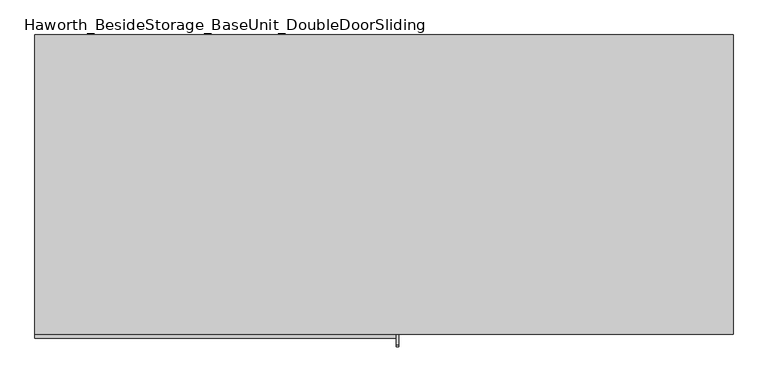
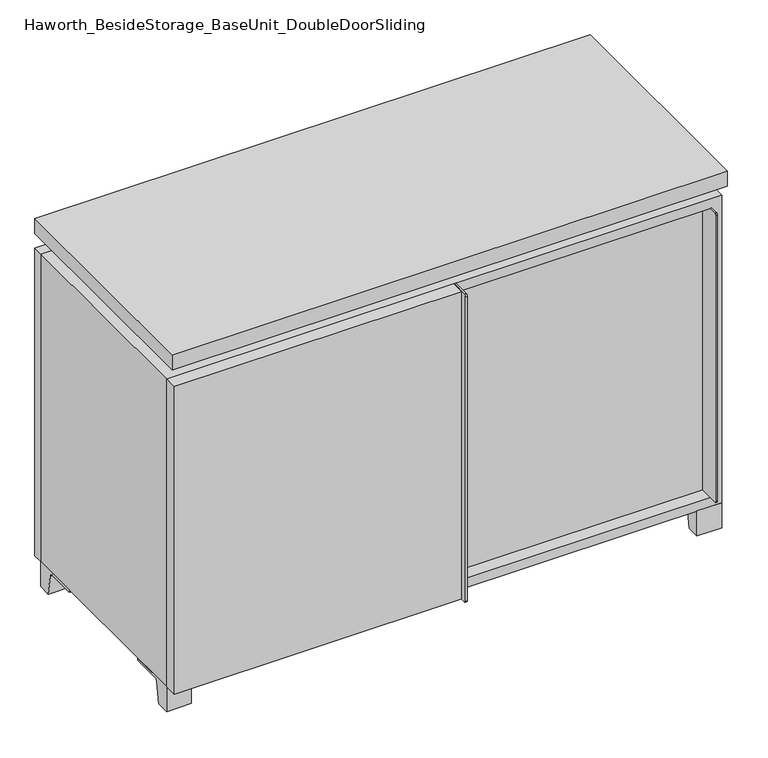
"""IFC4 building model written with IfcOpenShell, lengths in millimetres: furniture geometry, Haworth_BesideStorage_BaseUnit_DoubleDoorSliding."""

from ifc_helpers import new_model, si_unit, point, frame, frame_2d, origin, place, context, project, spatial, polyline, circle_curve, trimmed, segment, composite_curve, outline, extrude, faceted_brep, source, transform, mapped, element, save


def haworth_besidestorage_baseunit_doubledoorsliding_e4563539(model_context):
    return source(origin(), model_context, "Body", "SolidModel", [
        extrude(outline(polyline([(9.5319453, 241.3), (514.3569453, 241.3), (514.3569453, -92.075), (9.5319453, -92.075), (9.5319453, 241.3)])), frame((0.0, 0.0, 354.0125), z_axis=(0.0, 0.0, 1.0), x_axis=(1.0, 0.0, 0.0)), (0.0, 0.0, 1.0), 19.05),
        extrude(outline(polyline([(-9.5041641, 241.3), (-9.5041641, -92.075), (-514.3291641, -92.075), (-514.3291641, 241.3), (-9.5041641, 241.3)])), frame((0.0, 0.0, 354.0125), z_axis=(0.0, 0.0, 1.0), x_axis=(1.0, 0.0, 0.0)), (0.0, 0.0, 1.0), 19.05),
        extrude(outline(composite_curve([segment(polyline([(-95.25, 657.225), (-95.25, 69.85), (-161.925, 69.85)]), True, "CONTINUOUS"), segment(trimmed(circle_curve(frame_2d((-161.925, 73.025)), 3.175), [point((-161.925, 69.85))], [point((-165.1, 73.025))], False, "CARTESIAN"), True, "CONTINUOUS"), segment(polyline([(-165.1, 73.025), (-165.1, 654.05)]), True, "CONTINUOUS"), segment(trimmed(circle_curve(frame_2d((-161.925, 654.05)), 3.175), [point((-165.1, 654.05))], [point((-161.925, 657.225))], False, "CARTESIAN"), True, "CONTINUOUS"), segment(polyline([(-161.925, 657.225), (-95.25, 657.225)]), True, "CONTINUOUS")], self_intersect=False)), frame((511.1819453, 0.0, 0.0), z_axis=(1.0, 0.0, 0.0), x_axis=(0.0, 1.0, 0.0)), (0.0, 0.0, 1.0), 3.175),
        extrude(outline(polyline([(15.8819453, -95.25), (511.1819453, -95.25), (511.1819453, -120.65), (15.8819453, -120.65), (15.8819453, -95.25)])), frame((0.0, 0.0, 69.85), z_axis=(0.0, 0.0, 1.0), x_axis=(1.0, 0.0, 0.0)), (0.0, 0.0, 1.0), 587.375),
        extrude(outline(polyline([(533.4138906, 292.1), (533.4138906, -165.1), (-533.3861094, -165.1), (-533.3861094, 292.1), (533.4138906, 292.1)])), frame((0.0, 0.0, 706.4375), z_axis=(0.0, 0.0, 1.0), x_axis=(1.0, 0.0, 0.0)), (0.0, 0.0, 1.0), 30.1625),
        extrude(outline(composite_curve([segment(polyline([(-146.05, 676.275), (-146.05, 50.8), (-180.975, 50.8)]), True, "CONTINUOUS"), segment(trimmed(circle_curve(frame_2d((-180.975, 53.975)), 3.175), [point((-180.975, 50.8))], [point((-184.15, 53.975))], False, "CARTESIAN"), True, "CONTINUOUS"), segment(polyline([(-184.15, 53.975), (-184.15, 673.1)]), True, "CONTINUOUS"), segment(trimmed(circle_curve(frame_2d((-180.975, 673.1)), 3.175), [point((-184.15, 673.1))], [point((-180.975, 676.275))], False, "CARTESIAN"), True, "CONTINUOUS"), segment(polyline([(-180.975, 676.275), (-146.05, 676.275)]), True, "CONTINUOUS")], self_intersect=False)), frame((19.0638906, 0.0, 0.0), z_axis=(1.0, 0.0, 0.0), x_axis=(0.0, 1.0, 0.0)), (0.0, 0.0, 1.0), 3.175),
        extrude(outline(polyline([(-533.3861094, -146.05), (19.0638906, -146.05), (19.0638906, -171.45), (-533.3861094, -171.45), (-533.3861094, -146.05)])), frame((0.0, 0.0, 50.8), z_axis=(0.0, 0.0, 1.0), x_axis=(1.0, 0.0, 0.0)), (0.0, 0.0, 1.0), 625.475),
        extrude(outline(composite_curve([segment(polyline([(-120.6500136, 0.0), (-146.05, 0.0), (-146.05, 50.8), (-50.8, 50.8), (-50.8, 46.0213321), (-107.6005345, 46.0213321)]), True, "CONTINUOUS"), segment(trimmed(circle_curve(frame_2d((-107.6005345, 39.6713321)), 6.35), [point((-107.6005345, 46.0213321))], [point((-113.8641359, 40.7152656))], True, "CARTESIAN"), True, "CONTINUOUS"), segment(polyline([(-113.8641359, 40.7152656), (-120.6500136, 0.0)]), True, "CONTINUOUS")], self_intersect=False)), frame((485.7888906, 0.0, 0.0), z_axis=(1.0, 0.0, 0.0), x_axis=(0.0, 1.0, 0.0)), (0.0, 0.0, 1.0), 47.625),
        extrude(outline(composite_curve([segment(polyline([(247.6500136, 0.0), (240.8641359, 40.7152656)]), True, "CONTINUOUS"), segment(trimmed(circle_curve(frame_2d((234.6005345, 39.6713321)), 6.35), [point((240.8641359, 40.7152656))], [point((234.6005345, 46.0213321))], True, "CARTESIAN"), True, "CONTINUOUS"), segment(polyline([(234.6005345, 46.0213321), (177.8, 46.0213321), (177.8, 50.8), (273.05, 50.8), (273.05, 0.0), (247.6500136, 0.0)]), True, "CONTINUOUS")], self_intersect=False)), frame((485.7888906, 0.0, 0.0), z_axis=(1.0, 0.0, 0.0), x_axis=(0.0, 1.0, 0.0)), (0.0, 0.0, 1.0), 47.625),
        extrude(outline(composite_curve([segment(polyline([(-120.6500136, 0.0), (-146.05, 0.0), (-146.05, 50.8), (-50.8, 50.8), (-50.8, 46.0213321), (-107.6005345, 46.0213321)]), True, "CONTINUOUS"), segment(trimmed(circle_curve(frame_2d((-107.6005345, 39.6713321)), 6.35), [point((-107.6005345, 46.0213321))], [point((-113.8641359, 40.7152656))], True, "CARTESIAN"), True, "CONTINUOUS"), segment(polyline([(-113.8641359, 40.7152656), (-120.6500136, 0.0)]), True, "CONTINUOUS")], self_intersect=False)), frame((-533.3861094, 0.0, 0.0), z_axis=(1.0, 0.0, 0.0), x_axis=(0.0, 1.0, 0.0)), (0.0, 0.0, 1.0), 47.625),
        extrude(outline(composite_curve([segment(polyline([(247.6500136, 0.0), (240.8641359, 40.7152656)]), True, "CONTINUOUS"), segment(trimmed(circle_curve(frame_2d((234.6005345, 39.6713321)), 6.35), [point((240.8641359, 40.7152656))], [point((234.6005345, 46.0213321))], True, "CARTESIAN"), True, "CONTINUOUS"), segment(polyline([(234.6005345, 46.0213321), (177.8, 46.0213321), (177.8, 50.8), (273.05, 50.8), (273.05, 0.0), (247.6500136, 0.0)]), True, "CONTINUOUS")], self_intersect=False)), frame((-533.3861094, 0.0, 0.0), z_axis=(1.0, 0.0, 0.0), x_axis=(0.0, 1.0, 0.0)), (0.0, 0.0, 1.0), 47.625),
        faceted_brep([(7.9513906, -120.65, 706.4375), (7.9513906, -120.65, 676.275), (7.9513906, 53.975, 676.275), (7.9513906, 53.975, 706.4375), (7.9513906, 247.65, 676.275), (7.9513906, 247.65, 706.4375), (7.9513906, 73.025, 706.4375), (7.9513906, 73.025, 676.275), (-7.9236094, 247.65, 706.4375), (-7.9236094, 247.65, 676.275), (-7.9236094, 73.025, 676.275), (-7.9236094, 73.025, 706.4375), (-7.9236094, -120.65, 676.275), (-7.9236094, -120.65, 706.4375), (-7.9236094, 53.975, 706.4375), (-7.9236094, 53.975, 676.275), (-492.0833281, 73.025, 706.4375), (-492.1041641, 247.65, 706.4375), (-507.9791641, 247.65, 706.4375), (-507.9791641, -120.65, 706.4375), (-492.1041641, -120.65, 706.4375), (-492.1041641, 53.975, 706.4375), (492.1111094, 53.975, 706.4375), (492.1111094, -120.65, 706.4375), (507.9861094, -120.65, 706.4375), (507.9861094, 247.65, 706.4375), (492.1111094, 247.65, 706.4375), (492.1111094, 73.025, 706.4375), (-492.0833281, 53.975, 676.275), (-492.1041641, -120.65, 676.275), (-507.9791641, -120.65, 676.275), (-507.9791641, 247.65, 676.275), (-492.1041641, 247.65, 676.275), (-492.1041641, 73.025, 676.275), (492.1111094, 73.025, 676.275), (492.1111094, 247.65, 676.275), (507.9861094, 247.65, 676.275), (507.9861094, -120.65, 676.275), (492.1111094, -120.65, 676.275), (492.1111094, 53.975, 676.275)], [[[0, 1, 2, 3]], [[4, 5, 6, 7]], [[8, 9, 10, 11]], [[12, 13, 14, 15]], [[5, 8, 11, 16, 17, 18, 19, 20, 21, 14, 13, 0, 3, 22, 23, 24, 25, 26, 27, 6]], [[1, 12, 15, 28, 29, 30, 31, 32, 33, 10, 9, 4, 7, 34, 35, 36, 37, 38, 39, 2]], [[5, 4, 9, 8]], [[1, 0, 13, 12]], [[6, 27, 34, 7]], [[22, 3, 2, 39]], [[20, 29, 28, 21]], [[32, 17, 16, 33]], [[18, 31, 30, 19]], [[29, 20, 19, 30]], [[17, 32, 31, 18]], [[26, 35, 34, 27]], [[38, 23, 22, 39]], [[25, 24, 37, 36]], [[23, 38, 37, 24]], [[35, 26, 25, 36]], [[16, 11, 10, 33]], [[14, 21, 28, 15]]]),
        extrude(outline(polyline([(9.5388906, 241.3), (9.5388906, -95.25), (-9.5111094, -95.25), (-9.5111094, 241.3), (9.5388906, 241.3)])), frame((0.0, 0.0, 69.85), z_axis=(0.0, 0.0, 1.0), x_axis=(1.0, 0.0, 0.0)), (0.0, 0.0, 1.0), 587.375),
        extrude(outline(polyline([(15.8888906, -88.9), (15.8888906, -146.05), (-9.5111094, -146.05), (-9.5111094, -120.65), (3.1888906, -120.65), (3.1888906, -88.9), (15.8888906, -88.9)])), frame((0.0, 0.0, 69.85), z_axis=(0.0, 0.0, 1.0), x_axis=(1.0, 0.0, 0.0)), (0.0, 0.0, 1.0), 587.375),
        extrude(outline(polyline([(533.4138906, 273.05), (-533.3861094, 273.05), (-533.3861094, 292.1), (533.4138906, 292.1), (533.4138906, 273.05)])), frame((0.0, 0.0, 50.8), z_axis=(0.0, 0.0, 1.0), x_axis=(1.0, 0.0, 0.0)), (0.0, 0.0, 1.0), 625.475),
        extrude(outline(polyline([(50.8, -533.3861094), (50.8, 533.4), (676.275, 533.4), (676.275, -533.3861094), (50.8, -533.3861094)]), holes=[polyline([(69.85, -514.3361094), (657.225, -514.3361094), (657.225, 514.3361094), (69.85, 514.3361094), (69.85, -514.3361094)])]), frame((0.0, -146.05, 0.0), z_axis=(0.0, 1.0, 0.0), x_axis=(0.0, 0.0, 1.0)), (0.0, 0.0, 1.0), 419.1),
        extrude(outline(polyline([(-514.3291641, 241.3), (-514.3291641, 247.65), (514.3569453, 247.65), (514.3569453, 241.3), (-514.3291641, 241.3)])), frame((0.0, 0.0, 69.85), z_axis=(0.0, 0.0, 1.0), x_axis=(1.0, 0.0, 0.0)), (0.0, 0.0, 1.0), 587.375),
    ])


if __name__ == "__main__":
    model = new_model("IFC4")
    model_context = context("Model", 3, world=origin())
    ifc_project = project(units=[si_unit("LENGTHUNIT", "METRE", prefix="MILLI")], contexts=[model_context])
    site = spatial("IfcSite", under=ifc_project)
    building = spatial("IfcBuilding", under=site)
    placement = place(None, origin())
    haworth_besidestorage_baseunit_doubledoorsliding_shape = haworth_besidestorage_baseunit_doubledoorsliding_e4563539(model_context)
    element("IfcFurniture", 1, ObjectType="Haworth_BesideStorage_BaseUnit_DoubleDoorSliding", at=placement, inside=building, context=model_context, shape_type="MappedRepresentation", body=[
        mapped(haworth_besidestorage_baseunit_doubledoorsliding_shape, transform((0.0, 0.0, 0.0), x_axis=(1.0, 0.0, 0.0), y_axis=(0.0, 1.0, 0.0), z_axis=(0.0, 0.0, 1.0))),
    ])
    save(model, "model.ifc")
